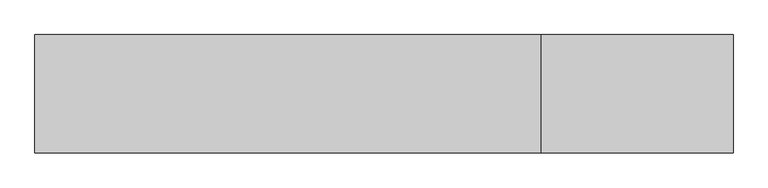
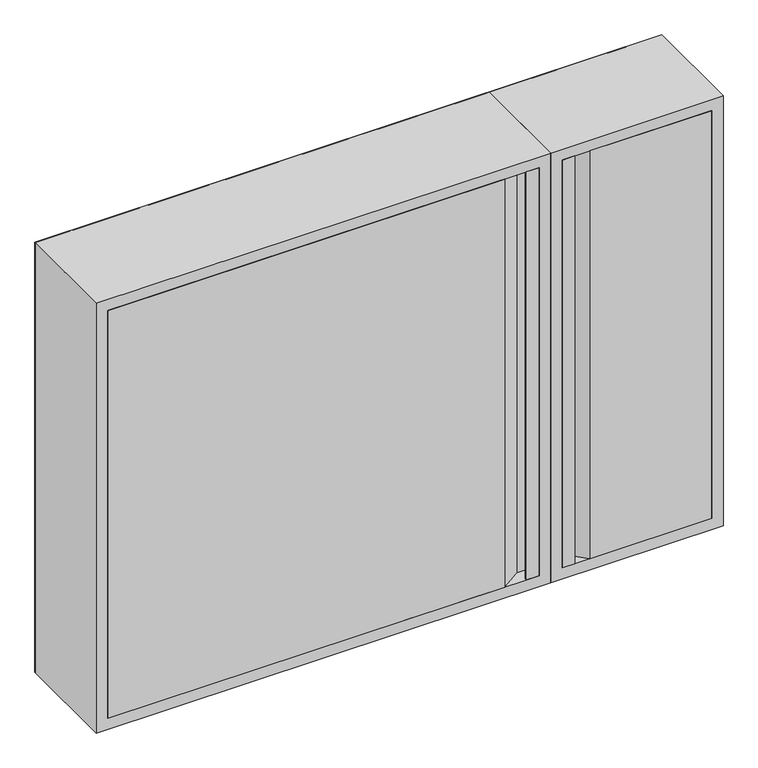
"""IFC4 building model written with IfcOpenShell, lengths in millimetres: fire suppression terminal geometry."""

from ifc_helpers import new_model, si_unit, point, frame, frame_2d, origin, place, context, project, spatial, polyline, circle_curve, trimmed, segment, composite_curve, outline, extrude, faceted_brep, source, transform, mapped, element, save


def fire_suppression_terminal_2caa1aca(model_context):
    return source(origin(), model_context, "Body", "SolidModel", [
        extrude(outline(composite_curve([segment(trimmed(circle_curve(frame_2d((-355.1374166, -354.9676042)), 3.007614), [point((-352.1298027, -354.9676042))], [point((-358.1450306, -354.9676042))], False, "CARTESIAN"), True, "CONTINUOUS"), segment(trimmed(circle_curve(frame_2d((-355.1374166, -354.9676042)), 3.007614), [point((-358.1450306, -354.9676042))], [point((-352.1298027, -354.9676042))], False, "CARTESIAN"), True, "CONTINUOUS")], self_intersect=False)), frame((0.0, -20.0, 0.0), z_axis=(0.0, 1.0, 0.0), x_axis=(0.0, 0.0, 1.0)), (0.0, 0.0, 1.0), 15.0),
        faceted_brep([(437.0, -185.0, -375.0), (415.0, -185.0, -375.0), (415.0, -160.0, -375.0), (675.0, -160.0, -375.0), (675.0, -185.0, -375.0), (463.5, -185.0, -375.0), (440.0, -161.5, -375.0), (416.5, -161.5, -375.0), (416.5, -183.5, -375.0), (435.5, -183.5, -375.0), (435.5, -182.0, -375.0), (437.0, -182.0, -375.0), (437.0, -185.0, 375.0), (437.0, -182.0, 375.0), (435.5, -182.0, 375.0), (435.5, -183.5, 375.0), (416.5, -183.5, 375.0), (416.5, -161.5, 375.0), (440.0, -161.5, 375.0), (463.5, -185.0, 375.0), (675.0, -185.0, 375.0), (675.0, -160.0, 375.0), (415.0, -160.0, 375.0), (415.0, -185.0, 375.0), (673.5, -160.0, -373.5), (673.5, -160.0, 373.5), (444.2068581, -160.0, 373.5), (444.2068581, -160.0, -373.5), (467.7068581, -183.5, -373.5), (673.5, -183.5, -373.5), (673.5, -183.5, 373.5), (467.7068581, -183.5, 373.5)], [[[0, 1, 2, 3, 4, 5, 6, 7, 8, 9, 10, 11]], [[12, 13, 14, 15, 16, 17, 18, 19, 20, 21, 22, 23]], [[0, 12, 23, 1]], [[1, 23, 22, 2]], [[2, 22, 21, 3], [24, 25, 26, 27]], [[3, 21, 20, 4]], [[5, 19, 18, 6]], [[6, 18, 17, 7]], [[7, 17, 16, 8]], [[8, 16, 15, 9]], [[9, 15, 14, 10]], [[10, 14, 13, 11]], [[11, 13, 12, 0]], [[4, 20, 19, 5]], [[24, 27, 28, 29]], [[26, 25, 30, 31]], [[27, 26, 31, 28]], [[29, 30, 25, 24]], [[28, 31, 30, 29]]]),
        extrude(outline(polyline([(353.0, -185.0), (353.0, -182.0), (354.5, -182.0), (354.5, -183.5), (373.5, -183.5), (373.5, -161.5), (350.0, -161.5), (315.0, -185.0), (-375.0, -185.0), (-375.0, -160.0), (-373.5, -160.0), (-373.5, -183.5), (314.5431419, -183.5), (349.5431419, -160.0), (375.0, -160.0), (375.0, -185.0), (353.0, -185.0)])), frame((0.0, 0.0, -375.0), z_axis=(0.0, 0.0, 1.0), x_axis=(1.0, 0.0, 0.0)), (0.0, 0.0, 1.0), 750.0),
        faceted_brep([(-375.0, -160.0, 375.0), (-375.0, -185.0, 375.0), (-375.0, -185.0, -375.0), (-375.0, -160.0, -375.0), (-376.5, -183.5, 376.5), (-376.5, -160.0, 376.5), (-376.5, -160.0, -376.5), (-376.5, -183.5, -376.5), (-393.5, -1.5, 393.5), (-393.5, -183.5, 393.5), (-393.5, -183.5, -393.5), (-393.5, -1.5, -393.5), (-375.0, 0.0, 375.0), (-375.0, -1.5, 375.0), (-375.0, -1.5, -375.0), (-375.0, 0.0, -375.0), (-395.0, -185.0, 395.0), (-395.0, 0.0, 395.0), (-395.0, 0.0, -395.0), (-395.0, -185.0, -395.0), (375.0, -185.0, -375.0), (375.0, -160.0, -375.0), (376.5, -160.0, -376.5), (376.5, -183.5, -376.5), (393.5, -183.5, -393.5), (393.5, -1.5, -393.5), (375.0, -1.5, -375.0), (375.0, 0.0, -375.0), (395.0, 0.0, -395.0), (395.0, -185.0, -395.0), (375.0, -185.0, 375.0), (375.0, -160.0, 375.0), (376.5, -160.0, 376.5), (376.5, -183.5, 376.5), (393.5, -183.5, 393.5), (393.5, -1.5, 393.5), (375.0, -1.5, 375.0), (375.0, 0.0, 375.0), (395.0, 0.0, 395.0), (395.0, -185.0, 395.0)], [[[0, 1, 2, 3]], [[4, 5, 6, 7]], [[8, 9, 10, 11]], [[12, 13, 14, 15]], [[16, 17, 18, 19]], [[3, 2, 20, 21]], [[7, 6, 22, 23]], [[11, 10, 24, 25]], [[15, 14, 26, 27]], [[19, 18, 28, 29]], [[21, 20, 30, 31]], [[23, 22, 32, 33]], [[25, 24, 34, 35]], [[27, 26, 36, 37]], [[29, 28, 38, 39]], [[1, 0, 31, 30]], [[6, 5, 32, 22], [0, 3, 21, 31]], [[5, 4, 33, 32]], [[10, 9, 34, 24], [4, 7, 23, 33]], [[9, 8, 35, 34]], [[8, 11, 25, 35], [14, 13, 36, 26]], [[13, 12, 37, 36]], [[18, 17, 38, 28], [12, 15, 27, 37]], [[17, 16, 39, 38]], [[16, 19, 29, 39], [2, 1, 30, 20]]]),
        faceted_brep([(415.0, -160.0, 375.0), (415.0, -185.0, 375.0), (415.0, -185.0, -375.0), (415.0, -160.0, -375.0), (413.5, -183.5, 376.5), (413.5, -160.0, 376.5), (413.5, -160.0, -376.5), (413.5, -183.5, -376.5), (396.5, -1.5, 393.5), (396.5, -183.5, 393.5), (396.5, -183.5, -393.5), (396.5, -1.5, -393.5), (415.0, 0.0, 375.0), (415.0, -1.5, 375.0), (415.0, -1.5, -375.0), (415.0, 0.0, -375.0), (395.0, -185.0, 395.0), (395.0, 0.0, 395.0), (395.0, 0.0, -395.0), (395.0, -185.0, -395.0), (675.0, -185.0, -375.0), (675.0, -160.0, -375.0), (676.5, -160.0, -376.5), (676.5, -183.5, -376.5), (693.5, -183.5, -393.5), (693.5, -1.5, -393.5), (675.0, -1.5, -375.0), (675.0, 0.0, -375.0), (695.0, 0.0, -395.0), (695.0, -185.0, -395.0), (675.0, -185.0, 375.0), (675.0, -160.0, 375.0), (676.5, -160.0, 376.5), (676.5, -183.5, 376.5), (693.5, -183.5, 393.5), (693.5, -1.5, 393.5), (675.0, -1.5, 375.0), (675.0, 0.0, 375.0), (695.0, 0.0, 395.0), (695.0, -185.0, 395.0)], [[[0, 1, 2, 3]], [[4, 5, 6, 7]], [[8, 9, 10, 11]], [[12, 13, 14, 15]], [[16, 17, 18, 19]], [[3, 2, 20, 21]], [[7, 6, 22, 23]], [[11, 10, 24, 25]], [[15, 14, 26, 27]], [[19, 18, 28, 29]], [[21, 20, 30, 31]], [[23, 22, 32, 33]], [[25, 24, 34, 35]], [[27, 26, 36, 37]], [[29, 28, 38, 39]], [[31, 30, 1, 0]], [[5, 32, 22, 6], [3, 21, 31, 0]], [[33, 32, 5, 4]], [[9, 34, 24, 10], [7, 23, 33, 4]], [[35, 34, 9, 8]], [[11, 25, 35, 8], [13, 36, 26, 14]], [[37, 36, 13, 12]], [[17, 38, 28, 18], [15, 27, 37, 12]], [[39, 38, 17, 16]], [[19, 29, 39, 16], [1, 30, 20, 2]]]),
        extrude(outline(polyline([(395.0, 695.0), (395.0, -395.0), (-395.0, -395.0), (-395.0, 695.0), (395.0, 695.0)]), holes=[composite_curve([segment(trimmed(circle_curve(frame_2d((-355.1374166, -354.9676042)), 18.5), [point((-355.1374166, -373.4676042))], [point((-355.1374166, -336.4676042))], True, "CARTESIAN"), True, "CONTINUOUS"), segment(trimmed(circle_curve(frame_2d((-355.1374166, -354.9676042)), 18.5), [point((-355.1374166, -336.4676042))], [point((-355.1374166, -373.4676042))], True, "CARTESIAN"), True, "CONTINUOUS")], self_intersect=False)]), frame((0.0, -1.5, 0.0), z_axis=(0.0, 1.0, 0.0), x_axis=(0.0, 0.0, 1.0)), (0.0, 0.0, 1.0), 1.5),
    ])


if __name__ == "__main__":
    model = new_model("IFC4")
    model_context = context("Model", 3, world=origin())
    ifc_project = project(units=[si_unit("LENGTHUNIT", "METRE", prefix="MILLI")], contexts=[model_context])
    site = spatial("IfcSite", under=ifc_project)
    building = spatial("IfcBuilding", under=site)
    placement = place(None, origin())
    fire_suppression_terminal_shape = fire_suppression_terminal_2caa1aca(model_context)
    element("IfcFireSuppressionTerminal", 1, at=placement, inside=building, context=model_context, shape_type="MappedRepresentation", body=[
        mapped(fire_suppression_terminal_shape, transform((0.0, 0.0, 0.0), x_axis=(1.0, 0.0, 0.0), y_axis=(0.0, 1.0, 0.0), z_axis=(0.0, 0.0, 1.0))),
    ])
    save(model, "model.ifc")
